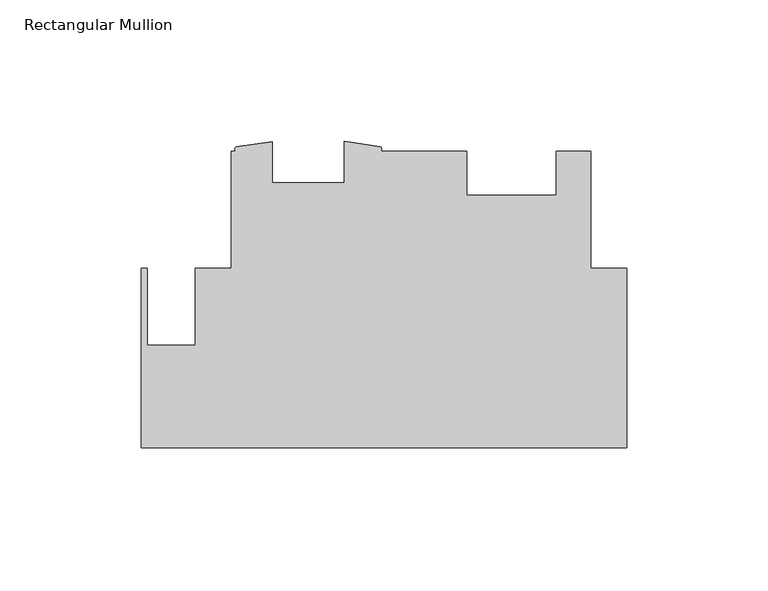
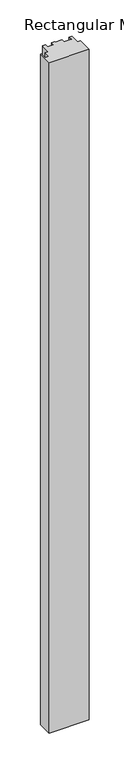
"""IFC4 building model written with IfcOpenShell, lengths in millimetres: member geometry, Rectangular Mullion."""

from ifc_helpers import new_model, si_unit, point, frame, frame_2d, origin, place, context, project, spatial, polyline, circle_curve, trimmed, segment, composite_curve, outline, extrude, source, transform, mapped, element, save


def rectangular_mullion_ea82b092(model_context):
    return source(origin(), model_context, "Body", "SweptSolid", [
        extrude(outline(composite_curve([segment(polyline([(0.0, -61.6033181), (-171.4499999, -61.6033181), (-171.4499999, 1.8966815), (-169.4179999, 1.8966815), (-169.4179999, -25.263119), (-152.5173426, -25.263119), (-152.5173426, 1.8966815), (-139.7010309, 1.8966815), (-139.7010309, 43.1716816), (-137.9687934, 43.1716816)]), True, "CONTINUOUS"), segment(trimmed(circle_curve(frame_2d((-137.4765534, 43.9646297)), 0.9333097), [point((-137.9687934, 43.1716816))], [point((-137.9687934, 44.7575778))], False, "CARTESIAN"), True, "CONTINUOUS"), segment(polyline([(-137.9687934, 44.7575778), (-125.1975059, 46.5676816), (-125.1975059, 32.0591816), (-99.7975059, 32.0591816), (-99.7975059, 46.6912033), (-87.0244531, 44.8350859)]), True, "CONTINUOUS"), segment(trimmed(circle_curve(frame_2d((-87.5628154, 44.0033838)), 0.9907384), [point((-87.0244531, 44.8350859))], [point((-87.0244531, 43.1716816))], False, "CARTESIAN"), True, "CONTINUOUS"), segment(polyline([(-87.0244531, 43.1716816), (-56.5105707, 43.1716816), (-56.5105707, 27.6635842), (-24.7605709, 27.6635842), (-24.7605709, 43.1716816), (-12.7010309, 43.1716816), (-12.7010309, 1.9289475), (0.0, 1.9289475), (0.0, -61.6033181)]), True, "CONTINUOUS")], self_intersect=False)), frame((0.0, 0.0, -3048.0), z_axis=(0.0, 0.0, 1.0), x_axis=(1.0, 0.0, 0.0)), (0.0, 0.0, 1.0), 3048.0),
    ])


if __name__ == "__main__":
    model = new_model("IFC4")
    model_context = context("Model", 3, world=origin())
    ifc_project = project(units=[si_unit("LENGTHUNIT", "METRE", prefix="MILLI")], contexts=[model_context])
    site = spatial("IfcSite", under=ifc_project)
    building = spatial("IfcBuilding", under=site)
    placement = place(None, origin())
    rectangular_mullion_shape = rectangular_mullion_ea82b092(model_context)
    element("IfcMember", 1, ObjectType="Rectangular Mullion", at=placement, inside=building, context=model_context, shape_type="MappedRepresentation", body=[
        mapped(rectangular_mullion_shape, transform((0.0, 0.0, 0.0), x_axis=(1.0, 0.0, 0.0), y_axis=(0.0, 1.0, 0.0), z_axis=(0.0, 0.0, 1.0))),
    ])
    save(model, "model.ifc")
